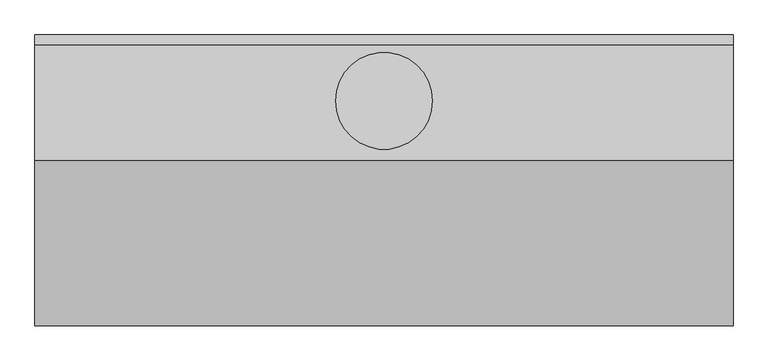
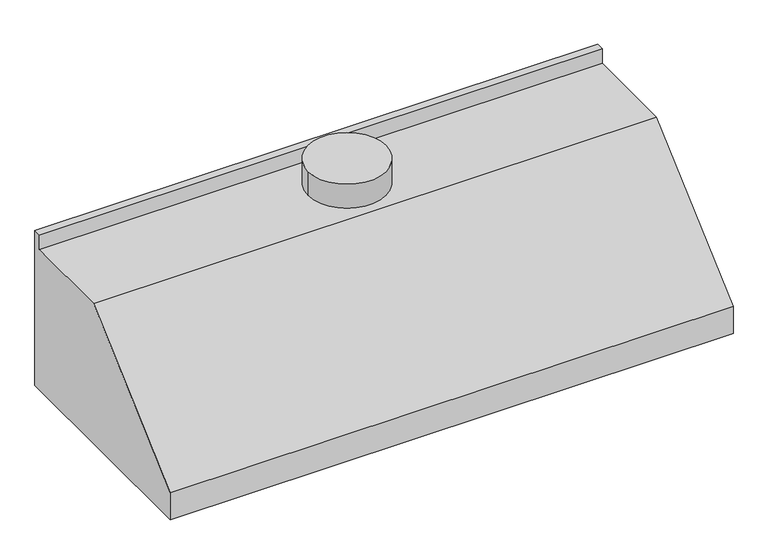
"""IFC4 building model written with IfcOpenShell, lengths in millimetres: proxy geometry."""

from ifc_helpers import new_model, si_unit, point, frame, frame_2d, origin, place, context, project, spatial, circle_curve, trimmed, segment, composite_curve, outline, extrude, faceted_brep, source, transform, mapped, element, save


def specialty_equipment_6983fc7d(model_context):
    return source(origin(), model_context, "Body", "SolidModel", [
        faceted_brep([(-893.0508427, -742.95, 82.55), (-893.0508427, -742.95, 0.0), (-893.0508427, -24.5117019, 0.0), (-893.0508427, -24.5117019, 460.7091622), (-893.0508427, -322.9617019, 460.7091622), (891.6039744, -742.95, 82.55), (891.6039744, -322.9617019, 460.7091622), (891.6039744, -24.5117019, 460.7091622), (891.6039744, -24.5117019, 0.0), (891.6039744, -742.95, 0.0), (914.4, -762.0, 0.0), (914.4, 0.0, 0.0), (914.4, 0.0, 533.4), (914.4, -25.4, 533.4), (914.4, -25.4, 482.6), (914.4, -330.2, 482.6), (914.4, -762.0, 93.8055337), (-914.4, 0.0, 533.4), (-914.4, 0.0, 0.0), (-914.4, -762.0, 0.0), (-914.4, -762.0, 93.8055337), (-914.4, -330.2, 482.6), (-914.4, -25.4, 482.6), (-914.4, -25.4, 533.4)], [[[0, 1, 2, 3, 4]], [[5, 6, 7, 8, 9]], [[0, 4, 6, 5]], [[4, 3, 7, 6]], [[3, 2, 8, 7]], [[1, 0, 5, 9]], [[10, 11, 12, 13, 14, 15, 16]], [[17, 18, 19, 20, 21, 22, 23]], [[12, 17, 23, 13]], [[19, 10, 16, 20]], [[11, 10, 19, 18], [2, 1, 9, 8]], [[12, 11, 18, 17]], [[22, 14, 13, 23]], [[14, 22, 21, 15]], [[15, 21, 20, 16]]]),
        extrude(outline(composite_curve([segment(trimmed(circle_curve(frame_2d((0.0, -172.6313962)), 127.0), [point((127.0, -172.6313962))], [point((-127.0, -172.6313962))], False, "CARTESIAN"), True, "CONTINUOUS"), segment(trimmed(circle_curve(frame_2d((0.0, -172.6313962)), 127.0), [point((-127.0, -172.6313962))], [point((127.0, -172.6313962))], False, "CARTESIAN"), True, "CONTINUOUS")], self_intersect=False)), frame((0.0, 0.0, 482.6), z_axis=(0.0, 0.0, 1.0), x_axis=(1.0, 0.0, 0.0)), (0.0, 0.0, 1.0), 82.8071927),
    ])


if __name__ == "__main__":
    model = new_model("IFC4")
    model_context = context("Model", 3, world=origin())
    ifc_project = project(units=[si_unit("LENGTHUNIT", "METRE", prefix="MILLI")], contexts=[model_context])
    site = spatial("IfcSite", under=ifc_project)
    building = spatial("IfcBuilding", under=site)
    placement = place(None, origin())
    specialty_equipment_shape = specialty_equipment_6983fc7d(model_context)
    element("IfcBuildingElementProxy", 1, Name="Specialty Equipment", at=placement, inside=building, context=model_context, shape_type="MappedRepresentation", body=[
        mapped(specialty_equipment_shape, transform((0.0, 0.0, 0.0), x_axis=(1.0, 0.0, 0.0), y_axis=(0.0, 1.0, 0.0), z_axis=(0.0, 0.0, 1.0))),
    ])
    save(model, "model.ifc")
